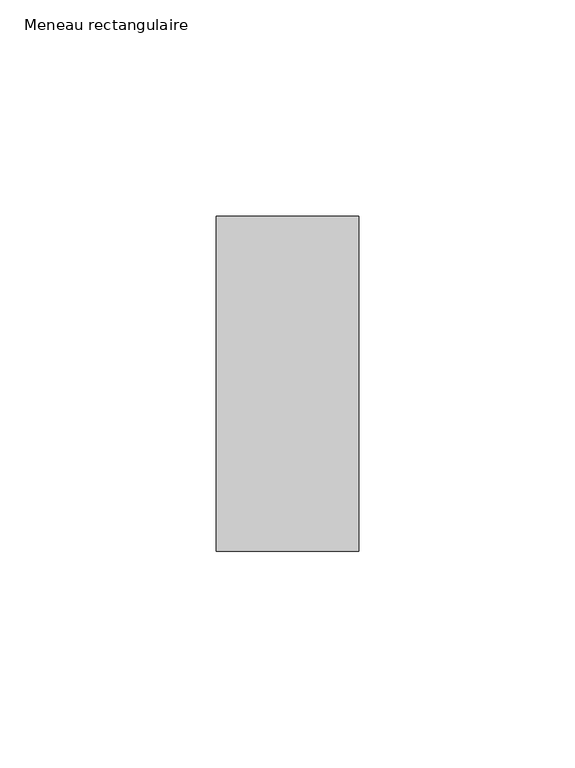
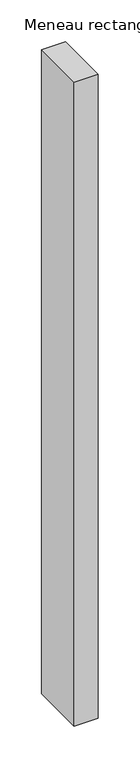
"""IFC4 building model written with IfcOpenShell, lengths in millimetres: member geometry, Meneau rectangulaire."""

from ifc_helpers import new_model, si_unit, frame, origin, place, context, project, spatial, polyline, outline, extrude, source, transform, mapped, element, save


def meneau_rectangulaire_43d92854(model_context):
    return source(origin(), model_context, "Body", "SweptSolid", [
        extrude(outline(polyline([(0.0, 38.75), (0.0, -38.75), (-33.0, -38.75), (-33.0, 38.75), (0.0, 38.75)])), frame((0.0, 0.0, -937.0873828), z_axis=(0.0, 0.0, 1.0), x_axis=(1.0, 0.0, 0.0)), (0.0, 0.0, 1.0), 937.0873828),
    ])


if __name__ == "__main__":
    model = new_model("IFC4")
    model_context = context("Model", 3, world=origin())
    ifc_project = project(units=[si_unit("LENGTHUNIT", "METRE", prefix="MILLI")], contexts=[model_context])
    site = spatial("IfcSite", under=ifc_project)
    building = spatial("IfcBuilding", under=site)
    placement = place(None, origin())
    meneau_rectangulaire_shape = meneau_rectangulaire_43d92854(model_context)
    element("IfcMember", 1, ObjectType="Meneau rectangulaire", at=placement, inside=building, context=model_context, shape_type="MappedRepresentation", body=[
        mapped(meneau_rectangulaire_shape, transform((0.0, 0.0, 0.0), x_axis=(1.0, 0.0, 0.0), y_axis=(0.0, 1.0, 0.0), z_axis=(0.0, 0.0, 1.0))),
    ])
    save(model, "model.ifc")
